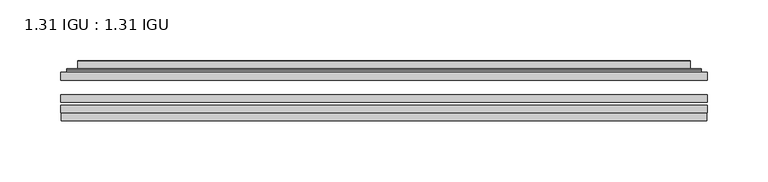
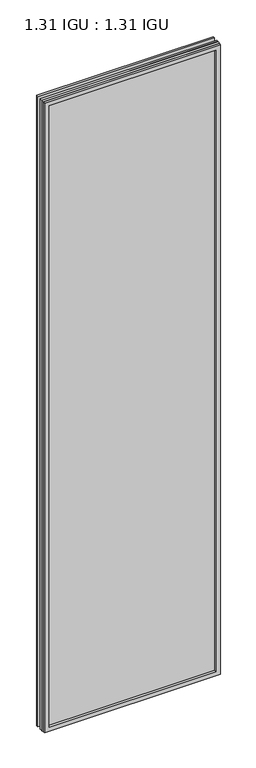
"""IFC4 building model written with IfcOpenShell, lengths in millimetres: plate geometry, 1.31 IGU : 1.31 IGU."""

from ifc_helpers import new_model, si_unit, frame, origin, place, context, project, spatial, polyline, ellipse_curve, outline, extrude, faceted_brep, source, transform, mapped, element, save
from ifc_brep_helpers import plane_surface, cylinder_surface, advanced_brep


def plate_1_31_igu_1_31_igu_2ec78746(model_context):
    return source(origin(), model_context, "Body", "SolidModel", [
        extrude(outline(polyline([(266.7140393, -63.59525), (266.7140393, -69.94525), (-266.6998644, -69.94525), (-266.6998644, -63.59525), (266.7140393, -63.59525)])), frame((0.0, 0.0, -14.2875), z_axis=(0.0, 0.0, 1.0), x_axis=(1.0, 0.0, 0.0)), (0.0, 0.0, 1.0), 2009.8015278),
        extrude(outline(polyline([(-266.6998644, -78.58125), (-266.6998644, -72.230745), (266.7140393, -72.230745), (266.7140393, -78.58125), (-266.6998644, -78.58125)])), frame((0.0, 0.0, -14.2875), z_axis=(0.0, 0.0, 1.0), x_axis=(1.0, 0.0, 0.0)), (0.0, 0.0, 1.0), 2009.8015278),
        extrude(outline(polyline([(266.7140393, -45.25645), (266.7140393, -51.60645), (-266.6998644, -51.60645), (-266.6998644, -45.25645), (266.7140393, -45.25645)])), frame((0.0, 0.0, -14.2875), z_axis=(0.0, 0.0, 1.0), x_axis=(1.0, 0.0, 0.0)), (0.0, 0.0, 1.0), 2009.8015278),
        faceted_brep([(-265.9996786, -84.93125, 1994.8100441), (-265.9996786, -78.58125, 1994.8100441), (-265.9996786, -78.58125, -13.5873142), (-265.9996786, -84.93125, -13.5873142), (265.9996786, -78.58125, -13.5873142), (265.9996786, -84.93125, -13.5873142), (265.9996786, -78.58125, 1994.8100441), (265.9996786, -84.93125, 1994.8100441), (-251.5146202, -78.58125, 0.8977441), (251.5146202, -78.58125, 0.8977441), (251.5146202, -78.58125, 1980.3249858), (-251.5146202, -78.58125, 1980.3249858), (-252.4070545, -84.93125, 1981.2174201), (252.4070545, -84.93125, 1981.2174201), (252.4070545, -84.93125, 0.0053098), (-252.4070545, -84.93125, 0.0053098)], [[[0, 1, 2, 3]], [[3, 2, 4, 5]], [[5, 4, 6, 7]], [[1, 6, 4, 2], [8, 9, 10, 11]], [[7, 6, 1, 0]], [[3, 5, 7, 0], [12, 13, 14, 15]], [[11, 12, 15, 8]], [[8, 15, 14, 9]], [[9, 14, 13, 10]], [[10, 13, 12, 11]]]),
        advanced_brep(
        [(-259.4585834, -45.25645, 1988.2689489), (-261.8127888, -43.2667833, 1990.6231543), (-261.8127888, -43.2667833, -9.4004244), (-259.4585834, -45.25645, -7.046219), (-250.3842583, -41.416413, 1979.1946238), (-245.4494264, -45.25645, 1974.2597919), (-245.4494264, -45.25645, 6.9629379), (-250.3842583, -41.416413, 2.0281061), (-251.416286, -36.0191819, 1980.2266515), (-251.416286, -36.0191819, 0.9960783), (-252.4069428, -35.6202069, 1981.2173083), (-252.4069428, -35.6202069, 0.0054216), (-252.4069428, -42.08145, 1981.2173083), (-252.4069428, -42.08145, 0.0054216), (-260.8109992, -42.08145, 1989.6213648), (-260.8109992, -42.08145, -8.3986349), (261.8127888, -43.2667833, -9.4004244), (259.4585834, -45.25645, -7.046219), (245.4494264, -45.25645, 6.9629379), (250.3842583, -41.416413, 2.0281061), (251.416286, -36.0191819, 0.9960783), (252.4069428, -35.6202069, 0.0054216), (252.4069428, -42.08145, 0.0054216), (260.8109992, -42.08145, -8.3986349), (261.8127888, -43.2667833, 1990.6231543), (259.4585834, -45.25645, 1988.2689489), (245.4494264, -45.25645, 1974.2597919), (250.3842583, -41.416413, 1979.1946238), (251.416286, -36.0191819, 1980.2266515), (252.4069428, -35.6202069, 1981.2173083), (252.4069428, -42.08145, 1981.2173083), (260.8109992, -42.08145, 1989.6213648)],
        [
            (0, 1, ellipse_curve(frame((-259.4585834, -42.86885, 1988.2689489), z_axis=(-0.7071067811865475, 0.0, -0.7071067811865475), x_axis=(-0.7071067811865474, 0.0, 0.7071067811865476)), 3.3765763, 2.3876)),
            (1, 2),
            (2, 3, ellipse_curve(frame((-259.4585834, -42.86885, -7.046219), z_axis=(-0.7071067811865475, 0.0, 0.7071067811865475), x_axis=(0.7071067811865474, 0.0, 0.7071067811865476)), 3.3765763, 2.3876)),
            (3, 0),
            (4, 5),
            (5, 6),
            (6, 7),
            (7, 4),
            (8, 4),
            (7, 9),
            (9, 8),
            (10, 8, ellipse_curve(frame((-252.0399862, -36.1384423, 1980.8503517), z_axis=(-0.7071067811865475, 0.0, -0.7071067811865475), x_axis=(-0.7071067811865474, 0.0, 0.7071067811865476)), 0.8980256, 0.635)),
            (9, 11, ellipse_curve(frame((-252.0399862, -36.1384423, 0.3723781), z_axis=(-0.7071067811865475, 0.0, 0.7071067811865475), x_axis=(0.7071067811865474, 0.0, 0.7071067811865476)), 0.8980256, 0.635)),
            (11, 10),
            (12, 10),
            (11, 13),
            (13, 12),
            (1, 14, ellipse_curve(frame((-260.8109992, -43.09745, 1989.6213648), z_axis=(-0.7071067811865475, 0.0, -0.7071067811865475), x_axis=(-0.7071067811865474, 0.0, 0.7071067811865476)), 1.436841, 1.016)),
            (14, 15),
            (15, 2, ellipse_curve(frame((-260.8109992, -43.09745, -8.3986349), z_axis=(-0.7071067811865475, 0.0, 0.7071067811865475), x_axis=(0.7071067811865474, 0.0, 0.7071067811865476)), 1.436841, 1.016)),
            (2, 16),
            (16, 17, ellipse_curve(frame((259.4585834, -42.86885, -7.046219), z_axis=(-0.7071067811865475, 0.0, -0.7071067811865475), x_axis=(-0.7071067811865476, 0.0, 0.7071067811865474)), 3.3765763, 2.3876)),
            (17, 3),
            (6, 18),
            (18, 19),
            (19, 7),
            (19, 20),
            (20, 9),
            (20, 21, ellipse_curve(frame((252.0399862, -36.1384423, 0.3723781), z_axis=(-0.7071067811865475, 0.0, -0.7071067811865475), x_axis=(-0.7071067811865476, 0.0, 0.7071067811865474)), 0.8980256, 0.635)),
            (21, 11),
            (21, 22),
            (22, 13),
            (15, 23),
            (23, 16, ellipse_curve(frame((260.8109992, -43.09745, -8.3986349), z_axis=(-0.7071067811865475, 0.0, -0.7071067811865475), x_axis=(-0.7071067811865476, 0.0, 0.7071067811865474)), 1.436841, 1.016)),
            (16, 24),
            (24, 25, ellipse_curve(frame((259.4585834, -42.86885, 1988.2689489), z_axis=(0.7071067811865475, 0.0, -0.7071067811865475), x_axis=(-0.7071067811865474, 0.0, -0.7071067811865476)), 3.3765763, 2.3876)),
            (25, 17),
            (18, 26),
            (26, 27),
            (27, 19),
            (27, 28),
            (28, 20),
            (28, 29, ellipse_curve(frame((252.0399862, -36.1384423, 1980.8503517), z_axis=(0.7071067811865475, 0.0, -0.7071067811865475), x_axis=(-0.7071067811865474, 0.0, -0.7071067811865476)), 0.8980256, 0.635)),
            (29, 21),
            (29, 30),
            (30, 22),
            (23, 31),
            (31, 24, ellipse_curve(frame((260.8109992, -43.09745, 1989.6213648), z_axis=(0.7071067811865475, 0.0, -0.7071067811865475), x_axis=(-0.7071067811865474, 0.0, -0.7071067811865476)), 1.436841, 1.016)),
            (24, 1),
            (0, 25),
            (5, 26),
            (4, 27),
            (8, 28),
            (10, 29),
            (12, 30),
            (14, 31),
        ],
        [
            cylinder_surface(frame((-259.4585834, -42.86885, 2012.9727299), z_axis=(0.0, 0.0, 1.0), x_axis=(-1.0, 0.0, 0.0)), 2.3876),
            plane_surface(frame((-245.4494264, -45.25645, 1974.2597919), z_axis=(0.6141233906514794, 0.7892100234124821, 0.0), x_axis=(0.0, 0.0, -1.0))),
            plane_surface(frame((-250.3842583, -41.416413, 1979.1946238), z_axis=(0.9822050625507729, 0.18781164793386076, 0.0), x_axis=(0.0, 0.0, -1.0))),
            cylinder_surface(frame((-252.0399862, -36.1384423, 2012.9727299), z_axis=(0.0, 0.0, 1.0), x_axis=(-1.0, 0.0, 0.0)), 0.635),
            plane_surface(frame((-252.4069428, -35.6202069, 1981.2173083), z_axis=(-1.0, 0.0, 0.0), x_axis=(0.0, 0.0, -1.0))),
            cylinder_surface(frame((-260.8109992, -43.09745, 2012.9727299), z_axis=(0.0, 0.0, 1.0), x_axis=(-1.0, 0.0, 0.0)), 1.016),
            cylinder_surface(frame((-284.1623644, -42.86885, -7.046219), z_axis=(-1.0, 0.0, 0.0), x_axis=(0.0, 0.0, -1.0)), 2.3876),
            plane_surface(frame((-245.4494264, -45.25645, 6.9629379), z_axis=(0.0, 0.7892100234124841, 0.6141233906514768), x_axis=(1.0, 0.0, 0.0))),
            plane_surface(frame((-250.3842583, -41.416413, 2.0281061), z_axis=(0.0, 0.18781164793386393, 0.9822050625507723), x_axis=(1.0, 0.0, 0.0))),
            cylinder_surface(frame((-284.1623644, -36.1384423, 0.3723781), z_axis=(-1.0, 0.0, 0.0), x_axis=(0.0, 0.0, -1.0)), 0.635),
            plane_surface(frame((-252.4069428, -35.6202069, 0.0054216), z_axis=(0.0, 0.0, -1.0), x_axis=(1.0, 0.0, 0.0))),
            cylinder_surface(frame((-284.1623644, -43.09745, -8.3986349), z_axis=(-1.0, 0.0, 0.0), x_axis=(0.0, 0.0, -1.0)), 1.016),
            cylinder_surface(frame((259.4585834, -42.86885, -31.75), z_axis=(0.0, 0.0, -1.0), x_axis=(1.0, 0.0, 0.0)), 2.3876),
            plane_surface(frame((245.4494264, -45.25645, 6.9629379), z_axis=(-0.6141233906514743, 0.7892100234124861, 0.0), x_axis=(0.0, 0.0, 1.0))),
            plane_surface(frame((250.3842583, -41.416413, 2.0281061), z_axis=(-0.9822050625507718, 0.1878116479338671, 0.0), x_axis=(0.0, 0.0, 1.0))),
            cylinder_surface(frame((252.0399862, -36.1384423, -31.75), z_axis=(0.0, 0.0, -1.0), x_axis=(1.0, 0.0, 0.0)), 0.635),
            plane_surface(frame((252.4069428, -35.6202069, 0.0054216), z_axis=(1.0, 0.0, 0.0), x_axis=(0.0, 0.0, 1.0))),
            cylinder_surface(frame((260.8109992, -43.09745, -31.75), z_axis=(0.0, 0.0, -1.0), x_axis=(1.0, 0.0, 0.0)), 1.016),
            cylinder_surface(frame((284.1623644, -42.86885, 1988.2689489), z_axis=(1.0, 0.0, 0.0), x_axis=(0.0, 0.0, 1.0)), 2.3876),
            plane_surface(frame((259.4585834, -45.25645, 1988.2689489), z_axis=(0.0, -1.0, 0.0), x_axis=(-1.0, 0.0, 0.0))),
            plane_surface(frame((245.4494264, -45.25645, 1974.2597919), z_axis=(0.0, 0.7892100234124841, -0.6141233906514768), x_axis=(-1.0, 0.0, 0.0))),
            plane_surface(frame((250.3842583, -41.416413, 1979.1946238), z_axis=(0.0, 0.18781164793386393, -0.9822050625507723), x_axis=(-1.0, 0.0, 0.0))),
            cylinder_surface(frame((284.1623644, -36.1384423, 1980.8503517), z_axis=(1.0, 0.0, 0.0), x_axis=(0.0, 0.0, 1.0)), 0.635),
            plane_surface(frame((252.4069428, -35.6202069, 1981.2173083), z_axis=(0.0, 0.0, 1.0), x_axis=(-1.0, 0.0, 0.0))),
            plane_surface(frame((252.4069428, -42.08145, 1981.2173083), z_axis=(0.0, 1.0, 0.0), x_axis=(-1.0, 0.0, 0.0))),
            cylinder_surface(frame((284.1623644, -43.09745, 1989.6213648), z_axis=(1.0, 0.0, 0.0), x_axis=(0.0, 0.0, 1.0)), 1.016),
        ],
        [
            (0, [[1, 2, 3, 4]]),
            (1, [[5, 6, 7, 8]]),
            (2, [[9, -8, 10, 11]]),
            (3, [[12, -11, 13, 14]]),
            (4, [[15, -14, 16, 17]]),
            (5, [[18, 19, 20, -2]]),
            (6, [[-3, 21, 22, 23]]),
            (7, [[-7, 24, 25, 26]]),
            (8, [[-10, -26, 27, 28]]),
            (9, [[-13, -28, 29, 30]]),
            (10, [[-16, -30, 31, 32]]),
            (11, [[-20, 33, 34, -21]]),
            (12, [[-22, 35, 36, 37]]),
            (13, [[-25, 38, 39, 40]]),
            (14, [[-27, -40, 41, 42]]),
            (15, [[-29, -42, 43, 44]]),
            (16, [[-31, -44, 45, 46]]),
            (17, [[-34, 47, 48, -35]]),
            (18, [[-36, 49, -1, 50]]),
            (19, [[-23, -37, -50, -4], [51, -38, -24, -6]]),
            (20, [[-39, -51, -5, 52]]),
            (21, [[-41, -52, -9, 53]]),
            (22, [[-43, -53, -12, 54]]),
            (23, [[-45, -54, -15, 55]]),
            (24, [[56, -47, -33, -19], [-32, -46, -55, -17]]),
            (25, [[-48, -56, -18, -49]]),
        ],
    ),
    ])


if __name__ == "__main__":
    model = new_model("IFC4")
    model_context = context("Model", 3, world=origin())
    ifc_project = project(units=[si_unit("LENGTHUNIT", "METRE", prefix="MILLI")], contexts=[model_context])
    site = spatial("IfcSite", under=ifc_project)
    building = spatial("IfcBuilding", under=site)
    placement = place(None, origin())
    plate_1_31_igu_1_31_igu_shape = plate_1_31_igu_1_31_igu_2ec78746(model_context)
    element("IfcPlate", 1, ObjectType="1.31 IGU : 1.31 IGU", at=placement, inside=building, context=model_context, shape_type="MappedRepresentation", body=[
        mapped(plate_1_31_igu_1_31_igu_shape, transform((0.0, 0.0, 0.0), x_axis=(1.0, 0.0, 0.0), y_axis=(0.0, 1.0, 0.0), z_axis=(0.0, 0.0, 1.0))),
    ])
    save(model, "model.ifc")
